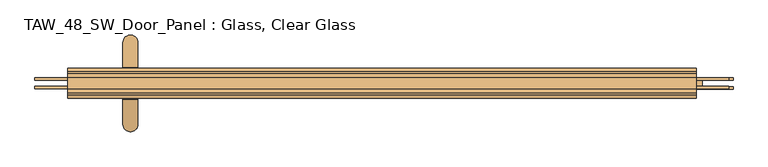
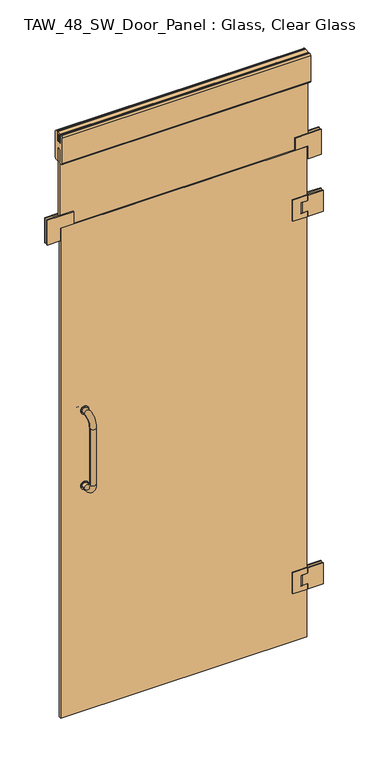
"""IFC4 building model written with IfcOpenShell, lengths in millimetres: door geometry, TAW_48_SW_Door_Panel : Glass, Clear Glass."""

from ifc_helpers import new_model, si_unit, point, frame, frame_2d, origin, place, context, project, spatial, polyline, circle_curve, ellipse_curve, trimmed, segment, composite_curve, outline, extrude, source, transform, mapped, element, save
from ifc_brep_helpers import plane_surface, cylinder_surface, revolved_surface, advanced_brep


def taw_48_sw_door_panel_glass_clear_glass_895cf257(model_context):
    return source(origin(), model_context, "Body", "SolidModel", [
        extrude(outline(composite_curve([segment(trimmed(circle_curve(frame_2d((1290.0, -400.0)), 16.0), [point((1290.0, -416.0))], [point((1290.0, -384.0))], False, "CARTESIAN"), True, "CONTINUOUS"), segment(trimmed(circle_curve(frame_2d((1290.0, -400.0)), 16.0), [point((1290.0, -384.0))], [point((1290.0, -416.0))], False, "CARTESIAN"), True, "CONTINUOUS")], self_intersect=False)), frame((0.0, 5.0, 0.0), z_axis=(0.0, 1.0, 0.0), x_axis=(0.0, 0.0, 1.0)), (0.0, 0.0, 1.0), 4.0),
        advanced_brep(
        [(-412.0, 9.0, 1290.0), (-388.0, 9.0, 1290.0), (-388.0, 25.0, 1290.0), (-412.0, 25.0, 1290.0), (-412.0, 65.0, 1250.0), (-388.0, 65.0, 1250.0), (-388.0, 65.0, 1010.0), (-412.0, 65.0, 1010.0), (-412.0, 25.0, 970.0), (-388.0, 25.0, 970.0), (-412.0, 9.0, 970.0), (-388.0, 9.0, 970.0)],
        [
            (0, 1, circle_curve(frame((-400.0, 9.0, 1290.0), z_axis=(0.0, -1.0, 0.0), x_axis=(1.0, 0.0, 0.0)), 12.0)),
            (1, 0, circle_curve(frame((-400.0, 9.0, 1290.0), z_axis=(0.0, -1.0, 0.0), x_axis=(1.0, 0.0, 0.0)), 12.0)),
            (1, 2),
            (2, 3, circle_curve(frame((-400.0, 25.0, 1290.0), z_axis=(0.0, -1.0, 0.0), x_axis=(1.0, 0.0, 0.0)), 12.0)),
            (3, 0),
            (3, 2, circle_curve(frame((-400.0, 25.0, 1290.0), z_axis=(0.0, -1.0, 0.0), x_axis=(1.0, 0.0, 0.0)), 12.0)),
            (4, 3, circle_curve(frame((-412.0, 25.0, 1250.0), z_axis=(1.0, 0.0, 0.0), x_axis=(0.0, 0.0, 1.0)), 40.0)),
            (2, 5, circle_curve(frame((-388.0, 25.0, 1250.0), z_axis=(-1.0, 0.0, 0.0), x_axis=(0.0, 0.0, 1.0)), 40.0)),
            (5, 4, circle_curve(frame((-400.0, 65.0, 1250.0), z_axis=(0.0, 0.0, 1.0), x_axis=(1.0, 0.0, 0.0)), 12.0)),
            (4, 5, circle_curve(frame((-400.0, 65.0, 1250.0), z_axis=(0.0, 0.0, 1.0), x_axis=(1.0, 0.0, 0.0)), 12.0)),
            (5, 6),
            (6, 7, circle_curve(frame((-400.0, 65.0, 1010.0), z_axis=(0.0, 0.0, 1.0), x_axis=(1.0, 0.0, 0.0)), 12.0)),
            (7, 4),
            (7, 6, circle_curve(frame((-400.0, 65.0, 1010.0), z_axis=(0.0, 0.0, 1.0), x_axis=(1.0, 0.0, 0.0)), 12.0)),
            (8, 7, circle_curve(frame((-412.0, 25.0, 1010.0), z_axis=(1.0, 0.0, 0.0), x_axis=(0.0, 1.0, 0.0)), 40.0)),
            (6, 9, circle_curve(frame((-388.0, 25.0, 1010.0), z_axis=(-1.0, 0.0, 0.0), x_axis=(0.0, 1.0, 0.0)), 40.0)),
            (9, 8, circle_curve(frame((-400.0, 25.0, 970.0), z_axis=(0.0, 1.0, 0.0), x_axis=(1.0, 0.0, 0.0)), 12.0)),
            (8, 9, circle_curve(frame((-400.0, 25.0, 970.0), z_axis=(0.0, 1.0, 0.0), x_axis=(1.0, 0.0, 0.0)), 12.0)),
            (10, 11, circle_curve(frame((-400.0, 9.0, 970.0), z_axis=(0.0, -1.0, 0.0), x_axis=(1.0, 0.0, 0.0)), 12.0)),
            (11, 10, circle_curve(frame((-400.0, 9.0, 970.0), z_axis=(0.0, -1.0, 0.0), x_axis=(1.0, 0.0, 0.0)), 12.0)),
            (9, 11),
            (10, 8),
        ],
        [
            plane_surface(frame((-400.0, 9.0, 1290.0), z_axis=(0.0, -1.0, 0.0), x_axis=(1.0, 0.0, 0.0))),
            cylinder_surface(frame((-400.0, 9.0, 1290.0), z_axis=(0.0, -1.0, 0.0), x_axis=(1.0, 0.0, 0.0)), 12.0),
            revolved_surface(trimmed(ellipse_curve(frame((-400.0, 25.0, 1290.0), z_axis=(0.0, -1.0, 0.0), x_axis=(1.0, 0.0, 0.0)), 12.0, 12.0), [point((-388.0, 25.0, 1290.0))], [point((-412.0, 25.0, 1290.0))], True, "CARTESIAN"), (-400.0, 25.0, 1250.0), (-1.0, 0.0, 0.0)),
            revolved_surface(trimmed(ellipse_curve(frame((-400.0, 25.0, 1290.0), z_axis=(0.0, -1.0, 0.0), x_axis=(1.0, 0.0, 0.0)), 12.0, 12.0), [point((-412.0, 25.0, 1290.0))], [point((-388.0, 25.0, 1290.0))], True, "CARTESIAN"), (-400.0, 25.0, 1250.0), (-1.0, 0.0, 0.0)),
            cylinder_surface(frame((-400.0, 65.0, 1250.0), z_axis=(0.0, 0.0, 1.0), x_axis=(1.0, 0.0, 0.0)), 12.0),
            revolved_surface(trimmed(ellipse_curve(frame((-400.0, 65.0, 1010.0), z_axis=(0.0, 0.0, 1.0), x_axis=(1.0, 0.0, 0.0)), 12.0, 12.0), [point((-388.0, 65.0, 1010.0))], [point((-412.0, 65.0, 1010.0))], True, "CARTESIAN"), (-400.0, 25.0, 1010.0), (-1.0, 0.0, 0.0)),
            revolved_surface(trimmed(ellipse_curve(frame((-400.0, 65.0, 1010.0), z_axis=(0.0, 0.0, 1.0), x_axis=(1.0, 0.0, 0.0)), 12.0, 12.0), [point((-412.0, 65.0, 1010.0))], [point((-388.0, 65.0, 1010.0))], True, "CARTESIAN"), (-400.0, 25.0, 1010.0), (-1.0, 0.0, 0.0)),
            plane_surface(frame((-400.0, 9.0, 970.0), z_axis=(0.0, -1.0, 0.0), x_axis=(1.0, 0.0, 0.0))),
            cylinder_surface(frame((-400.0, 25.0, 970.0), z_axis=(0.0, 1.0, 0.0), x_axis=(1.0, 0.0, 0.0)), 12.0),
        ],
        [
            (0, [[1, 2]]),
            (1, [[-2, 3, 4, 5]]),
            (1, [[-1, -5, 6, -3]]),
            (2, [[7, -4, 8, 9]]),
            (3, [[-8, -6, -7, 10]]),
            (4, [[-9, 11, 12, 13]]),
            (4, [[-10, -13, 14, -11]]),
            (5, [[15, -12, 16, 17]]),
            (6, [[-16, -14, -15, 18]]),
            (7, [[19, 20]]),
            (8, [[-17, 21, -19, 22]]),
            (8, [[-18, -22, -20, -21]]),
        ],
    ),
        extrude(outline(composite_curve([segment(trimmed(circle_curve(frame_2d((970.0, -400.0)), 16.0), [point((970.0, -416.0))], [point((970.0, -384.0))], False, "CARTESIAN"), True, "CONTINUOUS"), segment(trimmed(circle_curve(frame_2d((970.0, -400.0)), 16.0), [point((970.0, -384.0))], [point((970.0, -416.0))], False, "CARTESIAN"), True, "CONTINUOUS")], self_intersect=False)), frame((0.0, 5.0, 0.0), z_axis=(0.0, 1.0, 0.0), x_axis=(0.0, 0.0, 1.0)), (0.0, 0.0, 1.0), 4.0),
        extrude(outline(composite_curve([segment(trimmed(circle_curve(frame_2d((1290.0, -400.0)), 16.0), [point((1290.0, -416.0))], [point((1290.0, -384.0))], False, "CARTESIAN"), True, "CONTINUOUS"), segment(trimmed(circle_curve(frame_2d((1290.0, -400.0)), 16.0), [point((1290.0, -384.0))], [point((1290.0, -416.0))], False, "CARTESIAN"), True, "CONTINUOUS")], self_intersect=False)), frame((0.0, -9.0, 0.0), z_axis=(0.0, 1.0, 0.0), x_axis=(0.0, 0.0, 1.0)), (0.0, 0.0, 1.0), 4.0),
        advanced_brep(
        [(-412.0, -9.0, 1290.0), (-388.0, -9.0, 1290.0), (-412.0, -25.0, 1290.0), (-388.0, -25.0, 1290.0), (-388.0, -65.0, 1250.0), (-412.0, -65.0, 1250.0), (-412.0, -65.0, 1010.0), (-388.0, -65.0, 1010.0), (-388.0, -25.0, 970.0), (-412.0, -25.0, 970.0), (-412.0, -9.0, 970.0), (-388.0, -9.0, 970.0)],
        [
            (0, 1, circle_curve(frame((-400.0, -9.0, 1290.0), z_axis=(0.0, 1.0, 0.0), x_axis=(1.0, 0.0, 0.0)), 12.0)),
            (1, 0, circle_curve(frame((-400.0, -9.0, 1290.0), z_axis=(0.0, 1.0, 0.0), x_axis=(1.0, 0.0, 0.0)), 12.0)),
            (0, 2),
            (2, 3, circle_curve(frame((-400.0, -25.0, 1290.0), z_axis=(0.0, 1.0, 0.0), x_axis=(1.0, 0.0, 0.0)), 12.0)),
            (3, 1),
            (3, 2, circle_curve(frame((-400.0, -25.0, 1290.0), z_axis=(0.0, 1.0, 0.0), x_axis=(1.0, 0.0, 0.0)), 12.0)),
            (4, 3, circle_curve(frame((-388.0, -25.0, 1250.0), z_axis=(-1.0, 0.0, 0.0), x_axis=(0.0, 0.0, 1.0)), 40.0)),
            (2, 5, circle_curve(frame((-412.0, -25.0, 1250.0), z_axis=(1.0, 0.0, 0.0), x_axis=(0.0, 0.0, 1.0)), 40.0)),
            (5, 4, circle_curve(frame((-400.0, -65.0, 1250.0), z_axis=(0.0, 0.0, 1.0), x_axis=(1.0, 0.0, 0.0)), 12.0)),
            (4, 5, circle_curve(frame((-400.0, -65.0, 1250.0), z_axis=(0.0, 0.0, 1.0), x_axis=(1.0, 0.0, 0.0)), 12.0)),
            (5, 6),
            (6, 7, circle_curve(frame((-400.0, -65.0, 1010.0), z_axis=(0.0, 0.0, 1.0), x_axis=(1.0, 0.0, 0.0)), 12.0)),
            (7, 4),
            (7, 6, circle_curve(frame((-400.0, -65.0, 1010.0), z_axis=(0.0, 0.0, 1.0), x_axis=(1.0, 0.0, 0.0)), 12.0)),
            (8, 7, circle_curve(frame((-388.0, -25.0, 1010.0), z_axis=(-1.0, 0.0, 0.0), x_axis=(0.0, -1.0, 0.0)), 40.0)),
            (6, 9, circle_curve(frame((-412.0, -25.0, 1010.0), z_axis=(1.0, 0.0, 0.0), x_axis=(0.0, -1.0, 0.0)), 40.0)),
            (9, 8, circle_curve(frame((-400.0, -25.0, 970.0), z_axis=(0.0, -1.0, 0.0), x_axis=(1.0, 0.0, 0.0)), 12.0)),
            (8, 9, circle_curve(frame((-400.0, -25.0, 970.0), z_axis=(0.0, -1.0, 0.0), x_axis=(1.0, 0.0, 0.0)), 12.0)),
            (10, 11, circle_curve(frame((-400.0, -9.0, 970.0), z_axis=(0.0, 1.0, 0.0), x_axis=(1.0, 0.0, 0.0)), 12.0)),
            (11, 10, circle_curve(frame((-400.0, -9.0, 970.0), z_axis=(0.0, 1.0, 0.0), x_axis=(1.0, 0.0, 0.0)), 12.0)),
            (9, 10),
            (11, 8),
        ],
        [
            plane_surface(frame((-400.0, -9.0, 1290.0), z_axis=(0.0, 1.0, 0.0), x_axis=(1.0, 0.0, 0.0))),
            cylinder_surface(frame((-400.0, -9.0, 1290.0), z_axis=(0.0, 1.0, 0.0), x_axis=(1.0, 0.0, 0.0)), 12.0),
            revolved_surface(trimmed(ellipse_curve(frame((-400.0, -25.0, 1290.0), z_axis=(0.0, 1.0, 0.0), x_axis=(1.0, 0.0, 0.0)), 12.0, 12.0), [point((-412.0, -25.0, 1290.0))], [point((-388.0, -25.0, 1290.0))], True, "CARTESIAN"), (-400.0, -25.0, 1250.0), (1.0, 0.0, 0.0)),
            revolved_surface(trimmed(ellipse_curve(frame((-400.0, -25.0, 1290.0), z_axis=(0.0, 1.0, 0.0), x_axis=(1.0, 0.0, 0.0)), 12.0, 12.0), [point((-388.0, -25.0, 1290.0))], [point((-412.0, -25.0, 1290.0))], True, "CARTESIAN"), (-400.0, -25.0, 1250.0), (1.0, 0.0, 0.0)),
            cylinder_surface(frame((-400.0, -65.0, 1250.0), z_axis=(0.0, 0.0, 1.0), x_axis=(1.0, 0.0, 0.0)), 12.0),
            revolved_surface(trimmed(ellipse_curve(frame((-400.0, -65.0, 1010.0), z_axis=(0.0, 0.0, 1.0), x_axis=(1.0, 0.0, 0.0)), 12.0, 12.0), [point((-412.0, -65.0, 1010.0))], [point((-388.0, -65.0, 1010.0))], True, "CARTESIAN"), (-400.0, -25.0, 1010.0), (1.0, 0.0, 0.0)),
            revolved_surface(trimmed(ellipse_curve(frame((-400.0, -65.0, 1010.0), z_axis=(0.0, 0.0, 1.0), x_axis=(1.0, 0.0, 0.0)), 12.0, 12.0), [point((-388.0, -65.0, 1010.0))], [point((-412.0, -65.0, 1010.0))], True, "CARTESIAN"), (-400.0, -25.0, 1010.0), (1.0, 0.0, 0.0)),
            plane_surface(frame((-400.0, -9.0, 970.0), z_axis=(0.0, 1.0, 0.0), x_axis=(1.0, 0.0, 0.0))),
            cylinder_surface(frame((-400.0, -25.0, 970.0), z_axis=(0.0, -1.0, 0.0), x_axis=(1.0, 0.0, 0.0)), 12.0),
        ],
        [
            (0, [[1, 2]]),
            (1, [[-1, 3, 4, 5]]),
            (1, [[-2, -5, 6, -3]]),
            (2, [[7, -4, 8, 9]]),
            (3, [[-8, -6, -7, 10]]),
            (4, [[-9, 11, 12, 13]]),
            (4, [[-10, -13, 14, -11]]),
            (5, [[15, -12, 16, 17]]),
            (6, [[-16, -14, -15, 18]]),
            (7, [[19, 20]]),
            (8, [[-17, 21, -20, 22]]),
            (8, [[-18, -22, -19, -21]]),
        ],
    ),
        extrude(outline(composite_curve([segment(trimmed(circle_curve(frame_2d((970.0, -400.0)), 16.0), [point((970.0, -416.0))], [point((970.0, -384.0))], False, "CARTESIAN"), True, "CONTINUOUS"), segment(trimmed(circle_curve(frame_2d((970.0, -400.0)), 16.0), [point((970.0, -384.0))], [point((970.0, -416.0))], False, "CARTESIAN"), True, "CONTINUOUS")], self_intersect=False)), frame((0.0, -9.0, 0.0), z_axis=(0.0, 1.0, 0.0), x_axis=(0.0, 0.0, 1.0)), (0.0, 0.0, 1.0), 4.0),
        extrude(outline(polyline([(2100.0, -446.0), (2152.0, -446.0), (2152.0, -552.0), (2046.0, -552.0), (2046.0, -500.0), (2100.0, -500.0), (2100.0, -446.0)])), frame((0.0, 5.0, 0.0), z_axis=(0.0, 1.0, 0.0), x_axis=(0.0, 0.0, 1.0)), (0.0, 0.0, 1.0), 4.0),
        extrude(outline(polyline([(2100.0, -446.0), (2152.0, -446.0), (2152.0, -552.0), (2046.0, -552.0), (2046.0, -500.0), (2100.0, -500.0), (2100.0, -446.0)])), frame((0.0, -9.0, 0.0), z_axis=(0.0, 1.0, 0.0), x_axis=(0.0, 0.0, 1.0)), (0.0, 0.0, 1.0), 4.0),
        extrude(outline(polyline([(2100.0, 446.0), (2100.0, 500.0), (2046.0, 500.0), (2046.0, 552.0), (2152.0, 552.0), (2152.0, 446.0), (2100.0, 446.0)])), frame((0.0, 5.0, 0.0), z_axis=(0.0, 1.0, 0.0), x_axis=(0.0, 0.0, 1.0)), (0.0, 0.0, 1.0), 4.0),
        extrude(outline(polyline([(2100.0, 446.0), (2100.0, 500.0), (2046.0, 500.0), (2046.0, 552.0), (2152.0, 552.0), (2152.0, 446.0), (2100.0, 446.0)])), frame((0.0, -9.0, 0.0), z_axis=(0.0, 1.0, 0.0), x_axis=(0.0, 0.0, 1.0)), (0.0, 0.0, 1.0), 4.0),
        extrude(outline(polyline([(468.0, 5.0), (496.0, 5.0), (496.0, -5.0), (468.0, -5.0), (468.0, 5.0)])), frame((0.0, 0.0, 1801.0), z_axis=(0.0, 0.0, 1.0), x_axis=(1.0, 0.0, 0.0)), (0.0, 0.0, 1.0), 22.5),
        extrude(outline(polyline([(1891.0, 437.0), (1801.0, 437.0), (1801.0, 496.0), (1823.5, 496.0), (1823.5, 468.0), (1868.5, 468.0), (1868.5, 496.0), (1891.0, 496.0), (1891.0, 437.0)])), frame((0.0, -9.0, 0.0), z_axis=(0.0, 1.0, 0.0), x_axis=(0.0, 0.0, 1.0)), (0.0, 0.0, 1.0), 4.0),
        extrude(outline(polyline([(468.0, 5.0), (496.0, 5.0), (496.0, -5.0), (468.0, -5.0), (468.0, 5.0)])), frame((0.0, 0.0, 1868.5), z_axis=(0.0, 0.0, 1.0), x_axis=(1.0, 0.0, 0.0)), (0.0, 0.0, 1.0), 22.5),
        advanced_brep(
        [(474.0, 9.0, 1868.5), (474.0, -9.0, 1868.5), (500.0, -9.0, 1868.5), (500.0, -5.0, 1868.5), (510.0, -5.0, 1868.5), (510.0, 5.0, 1868.5), (500.0, 5.0, 1868.5), (500.0, 9.0, 1868.5), (474.0, 9.0, 1823.5), (500.0, 9.0, 1823.5), (500.0, 5.0, 1823.5), (510.0, 5.0, 1823.5), (510.0, -5.0, 1823.5), (500.0, -5.0, 1823.5), (500.0, -9.0, 1823.5), (474.0, -9.0, 1823.5), (500.0, -9.0, 1801.0), (559.0, -9.0, 1801.0), (559.0, -9.0, 1891.0), (500.0, -9.0, 1891.0), (500.0, 9.0, 1891.0), (559.0, 9.0, 1891.0), (559.0, 9.0, 1801.0), (500.0, 9.0, 1801.0), (559.0, -5.0, 1891.0), (500.0, -5.0, 1891.0), (500.0, -5.0, 1801.0), (559.0, -5.0, 1801.0), (500.0, 5.0, 1891.0), (559.0, 5.0, 1891.0), (500.0, 5.0, 1801.0), (559.0, 5.0, 1801.0)],
        [
            (0, 1, circle_curve(frame((477.75, 0.0, 1868.5), z_axis=(0.0, 0.0, 1.0), x_axis=(0.0, 1.0000000000000004, 0.0)), 9.75)),
            (1, 2),
            (2, 3),
            (3, 4),
            (4, 5),
            (5, 6),
            (6, 7),
            (7, 0),
            (8, 9),
            (9, 10),
            (10, 11),
            (11, 12),
            (12, 13),
            (13, 14),
            (14, 15),
            (15, 8, circle_curve(frame((477.75, 0.0, 1823.5), z_axis=(0.0, 0.0, -1.0), x_axis=(0.0, 1.0000000000000004, 0.0)), 9.75)),
            (1, 15),
            (14, 16),
            (16, 17),
            (17, 18),
            (18, 19),
            (19, 2),
            (7, 20),
            (20, 21),
            (21, 22),
            (22, 23),
            (23, 9),
            (8, 0),
            (18, 24),
            (24, 25),
            (25, 19),
            (16, 26),
            (26, 27),
            (27, 17),
            (27, 24),
            (26, 13),
            (12, 4),
            (3, 25),
            (28, 29),
            (29, 21),
            (20, 28),
            (30, 23),
            (22, 31),
            (31, 30),
            (28, 6),
            (5, 11),
            (10, 30),
            (31, 29),
        ],
        [
            plane_surface(frame((496.0, 0.0, 1868.5), z_axis=(0.0, 0.0, 1.0), x_axis=(0.0, 1.0, 0.0))),
            plane_surface(frame((496.0, 0.0, 1823.5), z_axis=(0.0, 0.0, -1.0), x_axis=(0.0, 1.0, 0.0))),
            plane_surface(frame((474.0, -9.0, 1868.5), z_axis=(0.0, -1.0, 0.0), x_axis=(0.0, 0.0, -1.0))),
            plane_surface(frame((500.0, 9.0, 1868.5), z_axis=(0.0, 1.0, 0.0), x_axis=(0.0, 0.0, -1.0))),
            plane_surface(frame((559.0, -9.0, 1891.0), z_axis=(0.0, 0.0, 1.0), x_axis=(1.0, 0.0, 0.0))),
            plane_surface(frame((559.0, -9.0, 1801.0), z_axis=(0.0, 0.0, -1.0), x_axis=(-1.0, 0.0, 0.0))),
            plane_surface(frame((559.0, -9.0, 1891.0), z_axis=(1.0, 0.0, 0.0), x_axis=(0.0, 0.0, -1.0))),
            plane_surface(frame((559.0, -5.0, 1891.0), z_axis=(0.0, 1.0, 0.0), x_axis=(0.0, 0.0, -1.0))),
            plane_surface(frame((500.0, -5.0, 1891.0), z_axis=(-1.0, 0.0, 0.0), x_axis=(0.0, 0.0, -1.0))),
            plane_surface(frame((559.0, 5.0, 1891.0), z_axis=(0.0, 0.0, 1.0), x_axis=(1.0, 0.0, 0.0))),
            plane_surface(frame((559.0, 5.0, 1801.0), z_axis=(0.0, 0.0, -1.0), x_axis=(-1.0, 0.0, 0.0))),
            plane_surface(frame((500.0, 5.0, 1891.0), z_axis=(0.0, -1.0, 0.0), x_axis=(0.0, 0.0, -1.0))),
            plane_surface(frame((559.0, 5.0, 1891.0), z_axis=(1.0, 0.0, 0.0), x_axis=(0.0, 0.0, -1.0))),
            plane_surface(frame((500.0, 9.0, 1891.0), z_axis=(-1.0, 0.0, 0.0), x_axis=(0.0, 0.0, -1.0))),
            plane_surface(frame((510.0, -5.0, 1868.5), z_axis=(1.0, 0.0, 0.0), x_axis=(0.0, 0.0, -1.0))),
            cylinder_surface(frame((477.75, 0.0, 1868.5), z_axis=(0.0, 0.0, 1.0), x_axis=(0.0, 1.0000000000000004, 0.0)), 9.75),
        ],
        [
            (0, [[1, 2, 3, 4, 5, 6, 7, 8]]),
            (1, [[9, 10, 11, 12, 13, 14, 15, 16]]),
            (2, [[-2, 17, -15, 18, 19, 20, 21, 22]]),
            (3, [[-8, 23, 24, 25, 26, 27, -9, 28]]),
            (4, [[-21, 29, 30, 31]]),
            (5, [[32, 33, 34, -19]]),
            (6, [[-29, -20, -34, 35]]),
            (7, [[-30, -35, -33, 36, -13, 37, -4, 38]]),
            (8, [[-31, -38, -3, -22]]),
            (8, [[-32, -18, -14, -36]]),
            (9, [[39, 40, -24, 41]]),
            (10, [[42, -26, 43, 44]]),
            (11, [[-39, 45, -6, 46, -11, 47, -44, 48]]),
            (12, [[-40, -48, -43, -25]]),
            (13, [[-41, -23, -7, -45]]),
            (13, [[-42, -47, -10, -27]]),
            (14, [[-5, -37, -12, -46]]),
            (15, [[-1, -28, -16, -17]]),
        ],
    ),
        extrude(outline(polyline([(1891.0, 437.0), (1801.0, 437.0), (1801.0, 496.0), (1823.5, 496.0), (1823.5, 468.0), (1868.5, 468.0), (1868.5, 496.0), (1891.0, 496.0), (1891.0, 437.0)])), frame((0.0, 5.0, 0.0), z_axis=(0.0, 1.0, 0.0), x_axis=(0.0, 0.0, 1.0)), (0.0, 0.0, 1.0), 4.0),
        extrude(outline(composite_curve([segment(trimmed(circle_curve(frame_2d((474.0, 0.0)), 4.0), [point((478.0, 0.0))], [point((470.0, 0.0))], False, "CARTESIAN"), True, "CONTINUOUS"), segment(trimmed(circle_curve(frame_2d((474.0, 0.0)), 4.0), [point((470.0, 0.0))], [point((478.0, 0.0))], False, "CARTESIAN"), True, "CONTINUOUS")], self_intersect=False)), frame((0.0, 0.0, 1823.5), z_axis=(0.0, 0.0, 1.0), x_axis=(1.0, 0.0, 0.0)), (0.0, 0.0, 1.0), 45.0),
        extrude(outline(polyline([(468.0, 5.0), (496.0, 5.0), (496.0, -5.0), (468.0, -5.0), (468.0, 5.0)])), frame((0.0, 0.0, 215.0), z_axis=(0.0, 0.0, 1.0), x_axis=(1.0, 0.0, 0.0)), (0.0, 0.0, 1.0), 22.5),
        extrude(outline(polyline([(305.0, 437.0), (215.0, 437.0), (215.0, 496.0), (237.5, 496.0), (237.5, 468.0), (282.5, 468.0), (282.5, 496.0), (305.0, 496.0), (305.0, 437.0)])), frame((0.0, -9.0, 0.0), z_axis=(0.0, 1.0, 0.0), x_axis=(0.0, 0.0, 1.0)), (0.0, 0.0, 1.0), 4.0),
        extrude(outline(polyline([(468.0, 5.0), (496.0, 5.0), (496.0, -5.0), (468.0, -5.0), (468.0, 5.0)])), frame((0.0, 0.0, 282.5), z_axis=(0.0, 0.0, 1.0), x_axis=(1.0, 0.0, 0.0)), (0.0, 0.0, 1.0), 22.5),
        advanced_brep(
        [(474.0, 9.0, 282.5), (474.0, -9.0, 282.5), (500.0, -9.0, 282.5), (500.0, -5.0, 282.5), (510.0, -5.0, 282.5), (510.0, 5.0, 282.5), (500.0, 5.0, 282.5), (500.0, 9.0, 282.5), (474.0, 9.0, 237.5), (500.0, 9.0, 237.5), (500.0, 5.0, 237.5), (510.0, 5.0, 237.5), (510.0, -5.0, 237.5), (500.0, -5.0, 237.5), (500.0, -9.0, 237.5), (474.0, -9.0, 237.5), (500.0, -9.0, 215.0), (559.0, -9.0, 215.0), (559.0, -9.0, 305.0), (500.0, -9.0, 305.0), (500.0, 9.0, 305.0), (559.0, 9.0, 305.0), (559.0, 9.0, 215.0), (500.0, 9.0, 215.0), (559.0, -5.0, 305.0), (500.0, -5.0, 305.0), (500.0, -5.0, 215.0), (559.0, -5.0, 215.0), (500.0, 5.0, 305.0), (559.0, 5.0, 305.0), (500.0, 5.0, 215.0), (559.0, 5.0, 215.0)],
        [
            (0, 1, circle_curve(frame((477.75, 0.0, 282.5), z_axis=(0.0, 0.0, 1.0), x_axis=(0.0, 1.0000000000000004, 0.0)), 9.75)),
            (1, 2),
            (2, 3),
            (3, 4),
            (4, 5),
            (5, 6),
            (6, 7),
            (7, 0),
            (8, 9),
            (9, 10),
            (10, 11),
            (11, 12),
            (12, 13),
            (13, 14),
            (14, 15),
            (15, 8, circle_curve(frame((477.75, 0.0, 237.5), z_axis=(0.0, 0.0, -1.0), x_axis=(0.0, 1.0000000000000004, 0.0)), 9.75)),
            (1, 15),
            (14, 16),
            (16, 17),
            (17, 18),
            (18, 19),
            (19, 2),
            (7, 20),
            (20, 21),
            (21, 22),
            (22, 23),
            (23, 9),
            (8, 0),
            (18, 24),
            (24, 25),
            (25, 19),
            (16, 26),
            (26, 27),
            (27, 17),
            (27, 24),
            (26, 13),
            (12, 4),
            (3, 25),
            (28, 29),
            (29, 21),
            (20, 28),
            (30, 23),
            (22, 31),
            (31, 30),
            (28, 6),
            (5, 11),
            (10, 30),
            (31, 29),
        ],
        [
            plane_surface(frame((496.0, 0.0, 282.5), z_axis=(0.0, 0.0, 1.0), x_axis=(0.0, 1.0, 0.0))),
            plane_surface(frame((496.0, 0.0, 237.5), z_axis=(0.0, 0.0, -1.0), x_axis=(0.0, 1.0, 0.0))),
            plane_surface(frame((474.0, -9.0, 282.5), z_axis=(0.0, -1.0, 0.0), x_axis=(0.0, 0.0, -1.0))),
            plane_surface(frame((500.0, 9.0, 282.5), z_axis=(0.0, 1.0, 0.0), x_axis=(0.0, 0.0, -1.0))),
            plane_surface(frame((559.0, -9.0, 305.0), z_axis=(0.0, 0.0, 1.0), x_axis=(1.0, 0.0, 0.0))),
            plane_surface(frame((559.0, -9.0, 215.0), z_axis=(0.0, 0.0, -1.0), x_axis=(-1.0, 0.0, 0.0))),
            plane_surface(frame((559.0, -9.0, 305.0), z_axis=(1.0, 0.0, 0.0), x_axis=(0.0, 0.0, -1.0))),
            plane_surface(frame((559.0, -5.0, 305.0), z_axis=(0.0, 1.0, 0.0), x_axis=(0.0, 0.0, -1.0))),
            plane_surface(frame((500.0, -5.0, 305.0), z_axis=(-1.0, 0.0, 0.0), x_axis=(0.0, 0.0, -1.0))),
            plane_surface(frame((559.0, 5.0, 305.0), z_axis=(0.0, 0.0, 1.0), x_axis=(1.0, 0.0, 0.0))),
            plane_surface(frame((559.0, 5.0, 215.0), z_axis=(0.0, 0.0, -1.0), x_axis=(-1.0, 0.0, 0.0))),
            plane_surface(frame((500.0, 5.0, 305.0), z_axis=(0.0, -1.0, 0.0), x_axis=(0.0, 0.0, -1.0))),
            plane_surface(frame((559.0, 5.0, 305.0), z_axis=(1.0, 0.0, 0.0), x_axis=(0.0, 0.0, -1.0))),
            plane_surface(frame((500.0, 9.0, 305.0), z_axis=(-1.0, 0.0, 0.0), x_axis=(0.0, 0.0, -1.0))),
            plane_surface(frame((510.0, -5.0, 282.5), z_axis=(1.0, 0.0, 0.0), x_axis=(0.0, 0.0, -1.0))),
            cylinder_surface(frame((477.75, 0.0, 282.5), z_axis=(0.0, 0.0, 1.0), x_axis=(0.0, 1.0000000000000004, 0.0)), 9.75),
        ],
        [
            (0, [[1, 2, 3, 4, 5, 6, 7, 8]]),
            (1, [[9, 10, 11, 12, 13, 14, 15, 16]]),
            (2, [[-2, 17, -15, 18, 19, 20, 21, 22]]),
            (3, [[-8, 23, 24, 25, 26, 27, -9, 28]]),
            (4, [[-21, 29, 30, 31]]),
            (5, [[32, 33, 34, -19]]),
            (6, [[-29, -20, -34, 35]]),
            (7, [[-30, -35, -33, 36, -13, 37, -4, 38]]),
            (8, [[-31, -38, -3, -22]]),
            (8, [[-32, -18, -14, -36]]),
            (9, [[39, 40, -24, 41]]),
            (10, [[42, -26, 43, 44]]),
            (11, [[-39, 45, -6, 46, -11, 47, -44, 48]]),
            (12, [[-40, -48, -43, -25]]),
            (13, [[-41, -23, -7, -45]]),
            (13, [[-42, -47, -10, -27]]),
            (14, [[-5, -37, -12, -46]]),
            (15, [[-1, -28, -16, -17]]),
        ],
    ),
        extrude(outline(polyline([(305.0, 437.0), (215.0, 437.0), (215.0, 496.0), (237.5, 496.0), (237.5, 468.0), (282.5, 468.0), (282.5, 496.0), (305.0, 496.0), (305.0, 437.0)])), frame((0.0, 5.0, 0.0), z_axis=(0.0, 1.0, 0.0), x_axis=(0.0, 0.0, 1.0)), (0.0, 0.0, 1.0), 4.0),
        extrude(outline(composite_curve([segment(trimmed(circle_curve(frame_2d((474.0, 0.0)), 4.0), [point((478.0, 0.0))], [point((470.0, 0.0))], False, "CARTESIAN"), True, "CONTINUOUS"), segment(trimmed(circle_curve(frame_2d((474.0, 0.0)), 4.0), [point((470.0, 0.0))], [point((478.0, 0.0))], False, "CARTESIAN"), True, "CONTINUOUS")], self_intersect=False)), frame((0.0, 0.0, 237.5), z_axis=(0.0, 0.0, 1.0), x_axis=(1.0, 0.0, 0.0)), (0.0, 0.0, 1.0), 45.0),
        extrude(outline(polyline([(496.0, 5.0), (496.0, -5.0), (-496.0, -5.0), (-496.0, 5.0), (496.0, 5.0)])), frame((0.0, 0.0, 10.0), z_axis=(0.0, 0.0, 1.0), x_axis=(1.0, 0.0, 0.0)), (0.0, 0.0, 1.0), 2086.0),
        extrude(outline(polyline([(9.0, 2500.0), (9.0, 2461.2139286), (5.0, 2461.2139286), (5.0, 2496.0), (-5.0, 2496.0), (-5.0, 2461.2139286), (-9.0, 2461.2139286), (-9.0, 2500.0), (9.0, 2500.0)])), frame((-500.0, 0.0, 0.0), z_axis=(1.0, 0.0, 0.0), x_axis=(0.0, 1.0, 0.0)), (0.0, 0.0, 1.0), 1000.0),
        extrude(outline(composite_curve([segment(polyline([(6.0, 2377.0), (6.0, 2378.9188758), (9.5, 2378.9188758), (9.5, 2434.6666978), (-9.5, 2434.6666978), (-9.5, 2378.9188758), (-6.0, 2378.9188758), (-6.0, 2377.0), (-16.7, 2377.0)]), True, "CONTINUOUS"), segment(trimmed(circle_curve(frame_2d((-16.7, 2384.3)), 7.3), [point((-16.7, 2377.0))], [point((-24.0, 2384.3))], False, "CARTESIAN"), True, "CONTINUOUS"), segment(polyline([(-24.0, 2384.3), (-24.0, 2492.9688758)]), True, "CONTINUOUS"), segment(trimmed(circle_curve(frame_2d((-16.7, 2492.9688758)), 7.3), [point((-24.0, 2492.9688758))], [point((-18.6629804, 2500.0))], False, "CARTESIAN"), True, "CONTINUOUS"), segment(polyline([(-18.6629804, 2500.0), (-16.0197946, 2500.0), (-16.0197946, 2498.0667957), (-9.5, 2498.0667957), (-9.5, 2461.0667957), (9.5, 2461.0667957), (9.5, 2498.0667957), (16.0197946, 2498.0667957), (16.0197946, 2500.0), (18.6629804, 2500.0)]), True, "CONTINUOUS"), segment(trimmed(circle_curve(frame_2d((16.7, 2492.9688758)), 7.3), [point((18.6629804, 2500.0))], [point((24.0, 2492.9688758))], False, "CARTESIAN"), True, "CONTINUOUS"), segment(polyline([(24.0, 2492.9688758), (24.0, 2384.3)]), True, "CONTINUOUS"), segment(trimmed(circle_curve(frame_2d((16.7, 2384.3)), 7.3), [point((24.0, 2384.3))], [point((16.7, 2377.0))], False, "CARTESIAN"), True, "CONTINUOUS"), segment(polyline([(16.7, 2377.0), (6.0, 2377.0)]), True, "CONTINUOUS")], self_intersect=False)), frame((-500.0, 0.0, 0.0), z_axis=(1.0, 0.0, 0.0), x_axis=(0.0, 1.0, 0.0)), (0.0, 0.0, 1.0), 1000.0),
        extrude(outline(polyline([(500.0, 5.0), (500.0, -5.0), (-500.0, -5.0), (-500.0, 5.0), (500.0, 5.0)])), frame((0.0, 0.0, 2100.0), z_axis=(0.0, 0.0, 1.0), x_axis=(1.0, 0.0, 0.0)), (0.0, 0.0, 1.0), 334.6666978),
    ])


if __name__ == "__main__":
    model = new_model("IFC4")
    model_context = context("Model", 3, world=origin())
    ifc_project = project(units=[si_unit("LENGTHUNIT", "METRE", prefix="MILLI")], contexts=[model_context])
    site = spatial("IfcSite", under=ifc_project)
    building = spatial("IfcBuilding", under=site)
    placement = place(None, origin())
    taw_48_sw_door_panel_glass_clear_glass_shape = taw_48_sw_door_panel_glass_clear_glass_895cf257(model_context)
    element("IfcDoor", 1, ObjectType="TAW_48_SW_Door_Panel : Glass, Clear Glass", at=placement, inside=building, context=model_context, shape_type="MappedRepresentation", body=[
        mapped(taw_48_sw_door_panel_glass_clear_glass_shape, transform((0.0, 0.0, 0.0), x_axis=(1.0, 0.0, 0.0), y_axis=(0.0, 1.0, 0.0), z_axis=(0.0, 0.0, 1.0))),
    ])
    save(model, "model.ifc")
